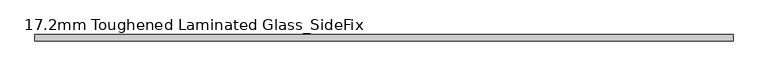
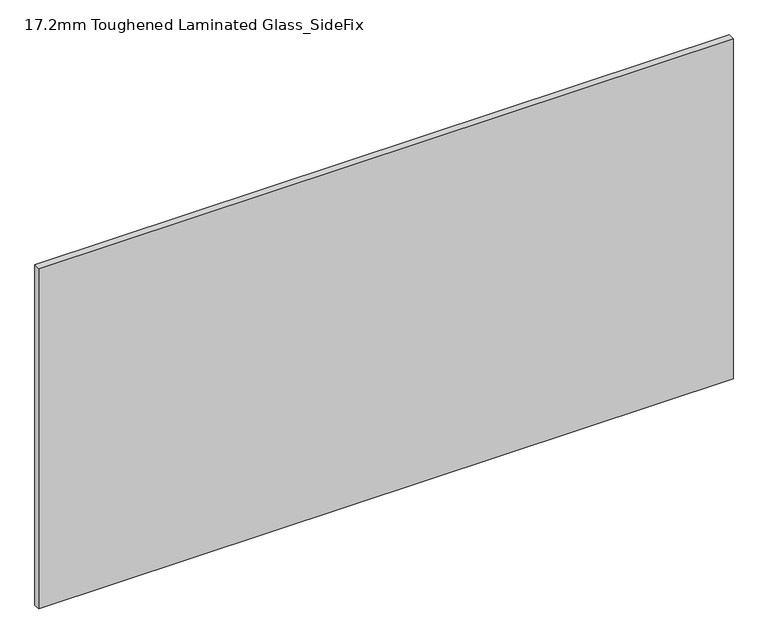
"""IFC4 building model written with IfcOpenShell, lengths in millimetres: plate geometry, 17.2mm Toughened Laminated Glass_SideFix."""

from ifc_helpers import new_model, si_unit, origin, origin_with_axes, place, context, project, spatial, polyline, outline, extrude, source, transform, mapped, element, save


def plate_17_2mm_toughened_laminated_glass_sidefix_43c36926(model_context):
    return source(origin(), model_context, "Body", "SweptSolid", [
        extrude(outline(polyline([(945.0000001, -23.4), (945.0000001, -40.6), (-945.0000001, -40.6), (-945.0000001, -23.4), (945.0000001, -23.4)])), origin_with_axes(), (0.0, 0.0, 1.0), 979.0),
    ])


if __name__ == "__main__":
    model = new_model("IFC4")
    model_context = context("Model", 3, world=origin())
    ifc_project = project(units=[si_unit("LENGTHUNIT", "METRE", prefix="MILLI")], contexts=[model_context])
    site = spatial("IfcSite", under=ifc_project)
    building = spatial("IfcBuilding", under=site)
    placement = place(None, origin())
    plate_17_2mm_toughened_laminated_glass_sidefix_shape = plate_17_2mm_toughened_laminated_glass_sidefix_43c36926(model_context)
    element("IfcPlate", 1, ObjectType="17.2mm Toughened Laminated Glass_SideFix", at=placement, inside=building, context=model_context, shape_type="MappedRepresentation", body=[
        mapped(plate_17_2mm_toughened_laminated_glass_sidefix_shape, transform((0.0, 0.0, 0.0), x_axis=(1.0, 0.0, 0.0), y_axis=(0.0, 1.0, 0.0), z_axis=(0.0, 0.0, 1.0))),
    ])
    save(model, "model.ifc")
